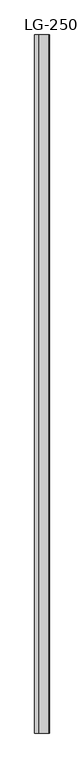
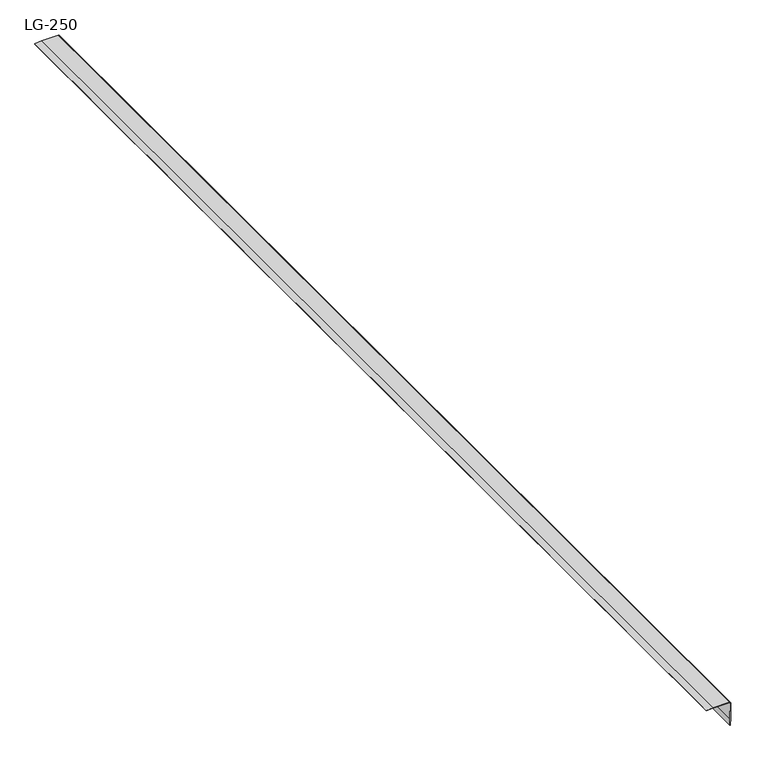
"""IFC4 building model written with IfcOpenShell, lengths in millimetres: proxy geometry, LG-250."""

from ifc_helpers import new_model, si_unit, point, frame, frame_2d, origin, place, context, project, spatial, polyline, circle_curve, trimmed, segment, composite_curve, outline, extrude, source, transform, mapped, element, save


def lg_250_6c4bf75a(model_context):
    return source(origin(), model_context, "Body", "SweptSolid", [
        extrude(outline(composite_curve([segment(polyline([(2.7755864, -42.5815565), (0.9477612, -60.7244136), (0.0, -60.7244136), (0.880064, -43.4954691), (1.2185501, -0.4231077)]), True, "CONTINUOUS"), segment(trimmed(circle_curve(frame_2d((-0.4146455, -0.4146455)), 1.6332176), [point((1.2185501, -0.4231077))], [point((-0.4061834, 1.2185501))], True, "CARTESIAN"), True, "CONTINUOUS"), segment(polyline([(-0.4061834, 1.2185501), (-43.4954691, 0.8462154), (-60.7244136, 0.0), (-60.7244136, 0.9477612), (-42.5815565, 2.7417377), (-0.4061834, 2.7417377)]), True, "CONTINUOUS"), segment(trimmed(circle_curve(frame_2d((-0.4146453, -0.4146453)), 3.1563944), [point((-0.4061834, 2.7417377))], [point((2.7417377, -0.4231077))], False, "CARTESIAN"), True, "CONTINUOUS"), segment(polyline([(2.7417377, -0.4231077), (2.7755864, -42.5815565)]), True, "CONTINUOUS")], self_intersect=False)), frame((0.0, -1141.4125, 0.0), z_axis=(0.0, 1.0, 0.0), x_axis=(0.0, 0.0, 1.0)), (0.0, 0.0, 1.0), 3021.0125),
    ])


if __name__ == "__main__":
    model = new_model("IFC4")
    model_context = context("Model", 3, world=origin())
    ifc_project = project(units=[si_unit("LENGTHUNIT", "METRE", prefix="MILLI")], contexts=[model_context])
    site = spatial("IfcSite", under=ifc_project)
    building = spatial("IfcBuilding", under=site)
    placement = place(None, origin())
    lg_250_shape = lg_250_6c4bf75a(model_context)
    element("IfcBuildingElementProxy", 1, Name="LG-250", ObjectType="LG-250", at=placement, inside=building, context=model_context, shape_type="MappedRepresentation", body=[
        mapped(lg_250_shape, transform((0.0, 0.0, 0.0), x_axis=(1.0, 0.0, 0.0), y_axis=(0.0, 1.0, 0.0), z_axis=(0.0, 0.0, 1.0))),
    ])
    save(model, "model.ifc")
